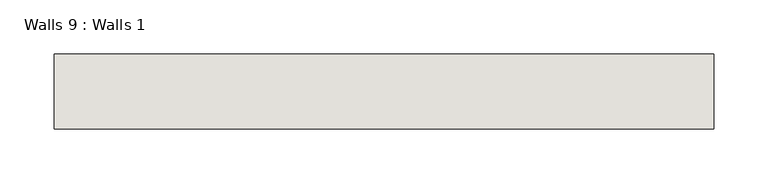
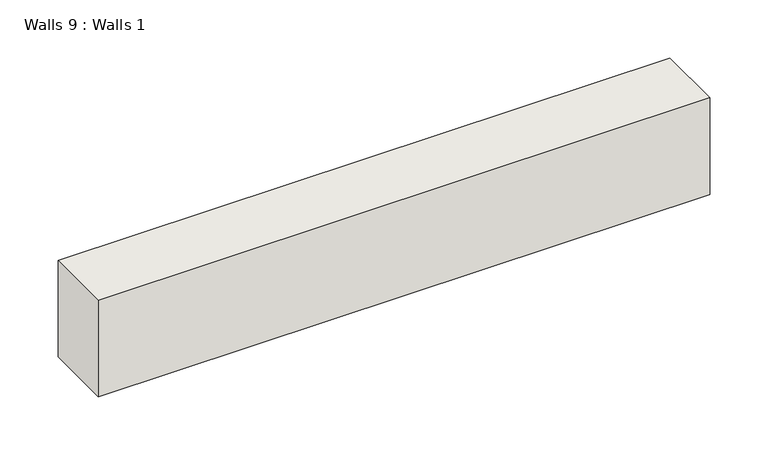
"""IFC4 building model written with IfcOpenShell, lengths in millimetres: wall geometry, Walls 9 : Walls 1."""

from ifc_helpers import new_model, si_unit, frame, origin, place, context, project, spatial, polyline, outline, extrude, source, transform, mapped, element, save


def walls_9_walls_1_adb10efe(model_context):
    return source(origin(), model_context, "Body", "SweptSolid", [
        extrude(outline(polyline([(176342.3038016, -28823.9743465), (176342.3038016, -28893.2326141), (175733.7468725, -28893.2326141), (175733.7468725, -28823.9743465), (176342.3038016, -28823.9743465)])), frame((0.0, 0.0, 6997.7), z_axis=(0.0, 0.0, 1.0), x_axis=(1.0, 0.0, 0.0)), (0.0, 0.0, 1.0), 101.6),
    ])


if __name__ == "__main__":
    model = new_model("IFC4")
    model_context = context("Model", 3, world=origin())
    ifc_project = project(units=[si_unit("LENGTHUNIT", "METRE", prefix="MILLI")], contexts=[model_context])
    site = spatial("IfcSite", under=ifc_project)
    building = spatial("IfcBuilding", under=site)
    placement = place(None, origin())
    walls_9_walls_1_shape = walls_9_walls_1_adb10efe(model_context)
    element("IfcWall", 1, ObjectType="Walls 9 : Walls 1", at=placement, inside=building, context=model_context, shape_type="MappedRepresentation", body=[
        mapped(walls_9_walls_1_shape, transform((0.0, 0.0, 0.0), x_axis=(1.0, 0.0, 0.0), y_axis=(0.0, 1.0, 0.0), z_axis=(0.0, 0.0, 1.0))),
    ])
    save(model, "model.ifc")
